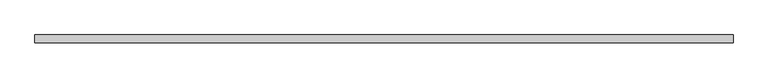
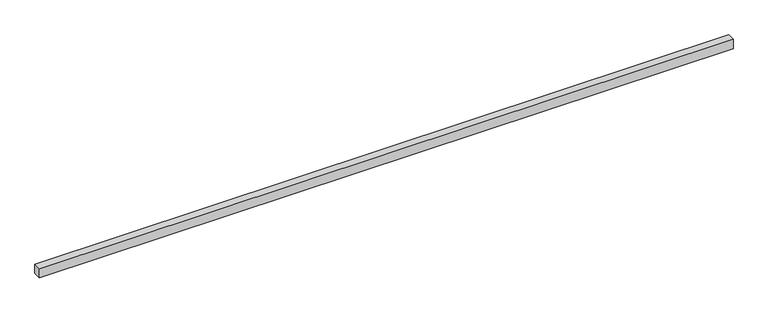
"""IFC4 building model written with IfcOpenShell, lengths in millimetres: proxy geometry."""

from ifc_helpers import new_model, si_unit, frame, origin, place, context, project, spatial, polyline, outline, extrude, source, transform, mapped, element, save


def generic_models_c32bb80d(model_context):
    return source(origin(), model_context, "Body", "SweptSolid", [
        extrude(outline(polyline([(40.0, 0.0), (-40.0, 0.0), (-40.0, 7139.2146695), (40.0, 7139.2146695), (40.0, 0.0)])), frame((7139.2146695, 0.0, 0.0), z_axis=(0.0, -1.9783474858313244e-12, 1.0), x_axis=(0.0, 1.0, 1.9783474858313244e-12)), (0.0, 0.0, 1.0), 100.0),
    ])


if __name__ == "__main__":
    model = new_model("IFC4")
    model_context = context("Model", 3, world=origin())
    ifc_project = project(units=[si_unit("LENGTHUNIT", "METRE", prefix="MILLI")], contexts=[model_context])
    site = spatial("IfcSite", under=ifc_project)
    building = spatial("IfcBuilding", under=site)
    placement = place(None, origin())
    generic_models_shape = generic_models_c32bb80d(model_context)
    element("IfcBuildingElementProxy", 1, Name="Generic Models", at=placement, inside=building, context=model_context, shape_type="MappedRepresentation", body=[
        mapped(generic_models_shape, transform((0.0, 0.0, 0.0), x_axis=(1.0, 0.0, 0.0), y_axis=(0.0, 1.0, 0.0), z_axis=(0.0, 0.0, 1.0))),
    ])
    save(model, "model.ifc")
